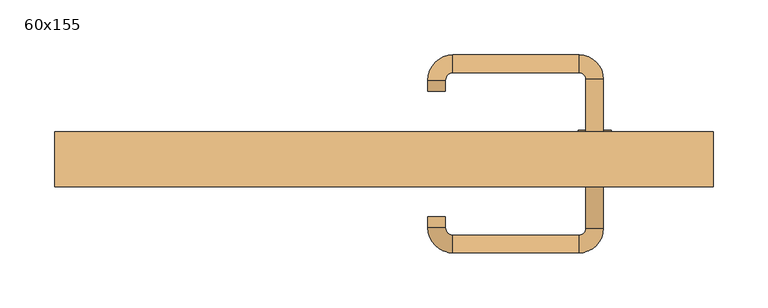
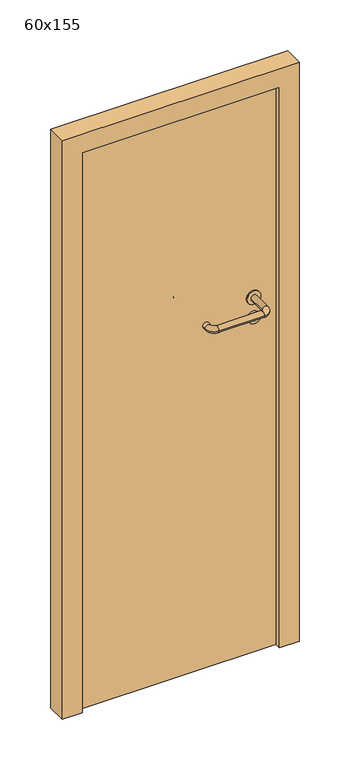
"""IFC4 building model written with IfcOpenShell, lengths in millimetres: door geometry, 60x155."""

from ifc_helpers import new_model, si_unit, point, frame, frame_2d, origin, origin_with_axes, place, context, project, spatial, polyline, circle_curve, ellipse_curve, trimmed, segment, composite_curve, outline, extrude, source, transform, mapped, element, save
from ifc_brep_helpers import plane_surface, cylinder_surface, revolved_surface, advanced_brep


def door_60x155_839e3d15(model_context):
    return source(origin(), model_context, "Body", "SolidModel", [
        extrude(outline(composite_curve([segment(trimmed(circle_curve(frame_2d((897.3605726, 192.0)), 15.0), [point((897.3605726, 207.0))], [point((897.3605726, 177.0))], False, "CARTESIAN"), True, "CONTINUOUS"), segment(trimmed(circle_curve(frame_2d((897.3605726, 192.0)), 15.0), [point((897.3605726, 177.0))], [point((897.3605726, 207.0))], False, "CARTESIAN"), True, "CONTINUOUS")], self_intersect=False), holes=[composite_curve([segment(trimmed(circle_curve(frame_2d((892.5833211, 191.9398032)), 2.0), [point((892.5833211, 193.9398032))], [point((892.5833211, 189.9398032))], True, "CARTESIAN"), True, "CONTINUOUS"), segment(polyline([(892.5833211, 189.9398032), (902.5833211, 189.9398032)]), True, "CONTINUOUS"), segment(trimmed(circle_curve(frame_2d((902.5833211, 191.9398032)), 2.0), [point((902.5833211, 189.9398032))], [point((902.5833211, 193.9398032))], True, "CARTESIAN"), True, "CONTINUOUS"), segment(polyline([(902.5833211, 193.9398032), (892.5833211, 193.9398032)]), True, "CONTINUOUS")], self_intersect=False)]), frame((0.0, 28.65, 0.0), z_axis=(0.0, 1.0, 0.0), x_axis=(0.0, 0.0, 1.0)), (0.0, 0.0, 1.0), 6.35),
        extrude(outline(composite_curve([segment(trimmed(circle_curve(frame_2d((950.0, 192.0)), 17.526), [point((950.0, 209.526))], [point((950.0, 174.474))], False, "CARTESIAN"), True, "CONTINUOUS"), segment(trimmed(circle_curve(frame_2d((950.0, 192.0)), 17.526), [point((950.0, 174.474))], [point((950.0, 209.526))], False, "CARTESIAN"), True, "CONTINUOUS")], self_intersect=False)), frame((0.0, 31.825, 0.0), z_axis=(0.0, 1.0, 0.0), x_axis=(0.0, 0.0, 1.0)), (0.0, 0.0, 1.0), 3.175),
        advanced_brep(
        [(200.0, 35.0, 950.0), (184.0, 35.0, 950.0), (184.0, -18.0, 950.0), (200.0, -18.0, 950.0), (177.8578644, -24.1421356, 950.0), (177.8578644, -40.1421356, 950.0), (62.8578644, -24.1421356, 950.0), (62.8578644, -40.1421356, 950.0), (56.008622, -17.2928932, 950.0), (40.008622, -17.2928932, 950.0), (40.008622, -7.2928932, 950.0), (56.008622, -7.2928932, 950.0)],
        [
            (0, 1, circle_curve(frame((192.0, 35.0, 950.0), z_axis=(0.0, 1.0, 0.0), x_axis=(-1.0, 0.0, 0.0)), 8.0)),
            (1, 0, circle_curve(frame((192.0, 35.0, 950.0), z_axis=(0.0, 1.0, 0.0), x_axis=(-1.0, 0.0, 0.0)), 8.0)),
            (1, 2),
            (2, 3, circle_curve(frame((192.0, -18.0, 950.0), z_axis=(0.0, 1.0, 0.0), x_axis=(-1.0, 0.0, 0.0)), 8.0)),
            (3, 0),
            (3, 2, circle_curve(frame((192.0, -18.0, 950.0), z_axis=(0.0, 1.0, 0.0), x_axis=(-1.0, 0.0, 0.0)), 8.0)),
            (4, 5, circle_curve(frame((177.8578644, -32.1421356, 950.0), z_axis=(1.0, 0.0, 0.0), x_axis=(0.0, 1.0, 0.0)), 8.0)),
            (5, 3, circle_curve(frame((177.8578644, -18.0, 950.0), z_axis=(0.0, 0.0, 1.0), x_axis=(1.0, 0.0, 0.0)), 22.1421356)),
            (2, 4, circle_curve(frame((177.8578644, -18.0, 950.0), z_axis=(0.0, 0.0, -1.0), x_axis=(1.0, 0.0, 0.0)), 6.1421356)),
            (5, 4, circle_curve(frame((177.8578644, -32.1421356, 950.0), z_axis=(1.0, 0.0, 0.0), x_axis=(0.0, 1.0, 0.0)), 8.0)),
            (4, 6),
            (6, 7, circle_curve(frame((62.8578644, -32.1421356, 950.0), z_axis=(1.0, 0.0, 0.0), x_axis=(0.0, 1.0, 0.0)), 8.0)),
            (7, 5),
            (7, 6, circle_curve(frame((62.8578644, -32.1421356, 950.0), z_axis=(1.0, 0.0, 0.0), x_axis=(0.0, 1.0, 0.0)), 8.0)),
            (8, 9, circle_curve(frame((48.008622, -17.2928932, 950.0), z_axis=(0.0, -1.0, 0.0), x_axis=(1.0, 0.0, 0.0)), 8.0)),
            (9, 7, circle_curve(frame((62.8578644, -17.2928932, 950.0), z_axis=(0.0, 0.0, 1.0), x_axis=(0.0, -1.0, 0.0)), 22.8492424)),
            (6, 8, circle_curve(frame((62.8578644, -17.2928932, 950.0), z_axis=(0.0, 0.0, -1.0), x_axis=(0.0, -1.0, 0.0)), 6.8492424)),
            (9, 8, circle_curve(frame((48.008622, -17.2928932, 950.0), z_axis=(0.0, -1.0, 0.0), x_axis=(1.0, 0.0, 0.0)), 8.0)),
            (10, 11, circle_curve(frame((48.008622, -7.2928932, 950.0), z_axis=(0.0, 1.0, 0.0), x_axis=(1.0, 0.0, 0.0)), 8.0)),
            (11, 10, circle_curve(frame((48.008622, -7.2928932, 950.0), z_axis=(0.0, 1.0, 0.0), x_axis=(1.0, 0.0, 0.0)), 8.0)),
            (8, 11),
            (10, 9),
        ],
        [
            plane_surface(frame((192.0, 35.0, 170.0), z_axis=(0.0, 1.0, 0.0), x_axis=(0.0, 0.0, 1.0))),
            cylinder_surface(frame((192.0, 35.0, 950.0), z_axis=(0.0, 1.0, 0.0), x_axis=(-1.0, 0.0, 0.0)), 8.0),
            revolved_surface(trimmed(ellipse_curve(frame((192.0, -18.0, 950.0), z_axis=(0.0, -1.0, 0.0), x_axis=(-1.0, 0.0, 0.0)), 8.0, 8.0), [point((200.0, -18.0, 950.0))], [point((184.0, -18.0, 950.0))], True, "CARTESIAN"), (177.8578644, -18.0, 170.0), (0.0, 0.0, 1.0)),
            revolved_surface(trimmed(ellipse_curve(frame((192.0, -18.0, 950.0), z_axis=(0.0, -1.0, 0.0), x_axis=(-1.0, 0.0, 0.0)), 8.0, 8.0), [point((184.0, -18.0, 950.0))], [point((200.0, -18.0, 950.0))], True, "CARTESIAN"), (177.8578644, -18.0, 170.0), (0.0, 0.0, 1.0)),
            cylinder_surface(frame((177.8578644, -32.1421356, 950.0), z_axis=(1.0, 0.0, 0.0), x_axis=(0.0, 1.0, 0.0)), 8.0),
            revolved_surface(trimmed(ellipse_curve(frame((62.8578644, -32.1421356, 950.0), z_axis=(-1.0, 0.0, 0.0), x_axis=(0.0, 1.0, 0.0)), 8.0, 8.0), [point((62.8578644, -40.1421356, 950.0))], [point((62.8578644, -24.1421356, 950.0))], True, "CARTESIAN"), (62.8578644, -17.2928932, 170.0), (0.0, 0.0, 1.0)),
            revolved_surface(trimmed(ellipse_curve(frame((62.8578644, -32.1421356, 950.0), z_axis=(-1.0, 0.0, 0.0), x_axis=(0.0, 1.0, 0.0)), 8.0, 8.0), [point((62.8578644, -24.1421356, 950.0))], [point((62.8578644, -40.1421356, 950.0))], True, "CARTESIAN"), (62.8578644, -17.2928932, 170.0), (0.0, 0.0, 1.0)),
            plane_surface(frame((48.008622, -7.2928932, 170.0), z_axis=(0.0, 1.0, 0.0), x_axis=(0.0, 0.0, 1.0))),
            cylinder_surface(frame((48.008622, -17.2928932, 950.0), z_axis=(0.0, -1.0, 0.0), x_axis=(1.0, 0.0, 0.0)), 8.0),
        ],
        [
            (0, [[1, 2]]),
            (1, [[3, 4, 5, -2]]),
            (1, [[-5, 6, -3, -1]]),
            (2, [[7, 8, -4, 9]]),
            (3, [[10, -9, -6, -8]]),
            (4, [[11, 12, 13, -7]]),
            (4, [[-13, 14, -11, -10]]),
            (5, [[15, 16, -12, 17]]),
            (6, [[18, -17, -14, -16]]),
            (7, [[19, 20]]),
            (8, [[21, -19, 22, -15]]),
            (8, [[-22, -20, -21, -18]]),
        ],
    ),
        extrude(outline(composite_curve([segment(trimmed(circle_curve(frame_2d((0.0, -15.0)), 15.0), [point((0.0, -30.0))], [point((0.0, 0.0))], False, "CARTESIAN"), True, "CONTINUOUS"), segment(trimmed(circle_curve(frame_2d((0.0, -15.0)), 15.0), [point((0.0, 0.0))], [point((0.0, -30.0))], False, "CARTESIAN"), True, "CONTINUOUS")], self_intersect=False), holes=[composite_curve([segment(trimmed(circle_curve(frame_2d((4.7772515, -14.9398032)), 2.0), [point((4.7772515, -16.9398032))], [point((4.7772515, -12.9398032))], True, "CARTESIAN"), True, "CONTINUOUS"), segment(polyline([(4.7772515, -12.9398032), (-5.2227485, -12.9398032)]), True, "CONTINUOUS"), segment(trimmed(circle_curve(frame_2d((-5.2227485, -14.9398032)), 2.0), [point((-5.2227485, -12.9398032))], [point((-5.2227485, -16.9398032))], True, "CARTESIAN"), True, "CONTINUOUS"), segment(polyline([(-5.2227485, -16.9398032), (4.7772515, -16.9398032)]), True, "CONTINUOUS")], self_intersect=False)]), frame((177.0, 65.0, 897.3605726), z_axis=(1.8870575173328306e-12, 1.0, 0.0), x_axis=(0.0, 0.0, -1.0)), (0.0, 0.0, 1.0), 6.35),
        extrude(outline(composite_curve([segment(trimmed(circle_curve(frame_2d((0.0, -17.526)), 17.526), [point((0.0, -35.052))], [point((0.0, 0.0))], False, "CARTESIAN"), True, "CONTINUOUS"), segment(trimmed(circle_curve(frame_2d((0.0, -17.526)), 17.526), [point((0.0, 0.0))], [point((0.0, -35.052))], False, "CARTESIAN"), True, "CONTINUOUS")], self_intersect=False)), frame((174.474, 65.0, 950.0), z_axis=(1.8870575173328306e-12, 1.0, 0.0), x_axis=(0.0, 0.0, -1.0)), (0.0, 0.0, 1.0), 3.175),
        advanced_brep(
        [(200.0, 65.0, 950.0), (184.0, 65.0, 950.0), (200.0, 118.0, 950.0), (184.0, 118.0, 950.0), (177.8578644, 124.1421356, 950.0), (177.8578644, 140.1421356, 950.0), (62.8578644, 140.1421356, 950.0), (62.8578644, 124.1421356, 950.0), (56.008622, 117.2928932, 950.0), (40.008622, 117.2928932, 950.0), (40.008622, 107.2928932, 950.0), (56.008622, 107.2928932, 950.0)],
        [
            (0, 1, circle_curve(frame((192.0, 65.0, 950.0), z_axis=(-1.888672253512351e-12, -1.0, 0.0), x_axis=(-1.0, 1.888672253512351e-12, 0.0)), 8.0)),
            (1, 0, circle_curve(frame((192.0, 65.0, 950.0), z_axis=(-1.888672253512351e-12, -1.0, 0.0), x_axis=(-1.0, 1.888672253512351e-12, 0.0)), 8.0)),
            (0, 2),
            (2, 3, circle_curve(frame((192.0, 118.0, 950.0), z_axis=(-1.888672253512351e-12, -1.0, 0.0), x_axis=(-1.0, 1.888672253512351e-12, 0.0)), 8.0)),
            (3, 1),
            (3, 2, circle_curve(frame((192.0, 118.0, 950.0), z_axis=(-1.888672253512351e-12, -1.0, 0.0), x_axis=(-1.0, 1.888672253512351e-12, 0.0)), 8.0)),
            (4, 3, circle_curve(frame((177.8578644, 118.0, 950.0), z_axis=(0.0, 0.0, -1.0), x_axis=(1.0, -1.880717803715015e-12, 0.0)), 6.1421356)),
            (2, 5, circle_curve(frame((177.8578644, 118.0, 950.0), z_axis=(0.0, 0.0, 1.0), x_axis=(1.0, -1.880717803715015e-12, 0.0)), 22.1421356)),
            (5, 4, circle_curve(frame((177.8578644, 132.1421356, 950.0), z_axis=(1.0, -1.913702061528922e-12, 0.0), x_axis=(-1.913702061528922e-12, -1.0, 0.0)), 8.0)),
            (4, 5, circle_curve(frame((177.8578644, 132.1421356, 950.0), z_axis=(1.0, -1.913702061528922e-12, 0.0), x_axis=(-1.913702061528922e-12, -1.0, 0.0)), 8.0)),
            (5, 6),
            (6, 7, circle_curve(frame((62.8578644, 132.1421356, 950.0), z_axis=(1.0, -1.913719828541269e-12, 0.0), x_axis=(-1.913719828541269e-12, -1.0, 0.0)), 8.0)),
            (7, 4),
            (7, 6, circle_curve(frame((62.8578644, 132.1421356, 950.0), z_axis=(1.0, -1.913719828541269e-12, 0.0), x_axis=(-1.913719828541269e-12, -1.0, 0.0)), 8.0)),
            (8, 7, circle_curve(frame((62.8578644, 117.2928932, 950.0), z_axis=(0.0, 0.0, -1.0), x_axis=(1.9120873253494017e-12, 1.0, 0.0)), 6.8492424)),
            (6, 9, circle_curve(frame((62.8578644, 117.2928932, 950.0), z_axis=(0.0, 0.0, 1.0), x_axis=(1.9120873253494017e-12, 1.0, 0.0)), 22.8492424)),
            (9, 8, circle_curve(frame((48.008622, 117.2928932, 950.0), z_axis=(1.890670654956676e-12, 1.0, 0.0), x_axis=(1.0, -1.890670654956676e-12, 0.0)), 8.0)),
            (8, 9, circle_curve(frame((48.008622, 117.2928932, 950.0), z_axis=(1.890226565746826e-12, 1.0, 0.0), x_axis=(1.0, -1.890226565746826e-12, 0.0)), 8.0)),
            (10, 11, circle_curve(frame((48.008622, 107.2928932, 950.0), z_axis=(-1.8903642334018795e-12, -1.0, 0.0), x_axis=(1.0, -1.8903642334018795e-12, 0.0)), 8.0)),
            (11, 10, circle_curve(frame((48.008622, 107.2928932, 950.0), z_axis=(-1.8903642334018795e-12, -1.0, 0.0), x_axis=(1.0, -1.8903642334018795e-12, 0.0)), 8.0)),
            (9, 10),
            (11, 8),
        ],
        [
            plane_surface(frame((192.0, 65.0, 170.0), z_axis=(-1.8870575173328306e-12, -1.0, 0.0), x_axis=(0.0, 0.0, 1.0))),
            cylinder_surface(frame((192.0, 65.0, 950.0), z_axis=(-1.888672253512351e-12, -1.0, 0.0), x_axis=(-1.0, 1.888672253512351e-12, 0.0)), 8.0),
            revolved_surface(trimmed(ellipse_curve(frame((192.0, 118.0, 950.0), z_axis=(-1.8823325398945356e-12, -1.0, 0.0), x_axis=(-1.0, 1.8823325398945356e-12, 0.0)), 8.0, 8.0), [point((200.0, 118.0, 950.0))], [point((184.0, 118.0, 950.0))], True, "CARTESIAN"), (177.8578644, 118.0, 170.0), (0.0, 0.0, 1.0)),
            revolved_surface(trimmed(ellipse_curve(frame((192.0, 118.0, 950.0), z_axis=(-1.8823325398945356e-12, -1.0, 0.0), x_axis=(-1.0, 1.8823325398945356e-12, 0.0)), 8.0, 8.0), [point((184.0, 118.0, 950.0))], [point((200.0, 118.0, 950.0))], True, "CARTESIAN"), (177.8578644, 118.0, 170.0), (0.0, 0.0, 1.0)),
            cylinder_surface(frame((177.8578644, 132.1421356, 950.0), z_axis=(1.0, -1.913719828541269e-12, 0.0), x_axis=(-1.913719828541269e-12, -1.0, 0.0)), 8.0),
            revolved_surface(trimmed(ellipse_curve(frame((62.8578644, 132.1421356, 950.0), z_axis=(1.0, -1.913702061528922e-12, 0.0), x_axis=(-1.913702061528922e-12, -1.0, 0.0)), 8.0, 8.0), [point((62.8578644, 140.1421356, 950.0))], [point((62.8578644, 124.1421356, 950.0))], True, "CARTESIAN"), (62.8578644, 117.2928932, 170.0), (0.0, 0.0, 1.0)),
            revolved_surface(trimmed(ellipse_curve(frame((62.8578644, 132.1421356, 950.0), z_axis=(1.0, -1.913702061528922e-12, 0.0), x_axis=(-1.913702061528922e-12, -1.0, 0.0)), 8.0, 8.0), [point((62.8578644, 124.1421356, 950.0))], [point((62.8578644, 140.1421356, 950.0))], True, "CARTESIAN"), (62.8578644, 117.2928932, 170.0), (0.0, 0.0, 1.0)),
            plane_surface(frame((48.008622, 107.2928932, 170.0), z_axis=(-1.8887494972223595e-12, -1.0, 0.0), x_axis=(0.0, 0.0, 1.0))),
            cylinder_surface(frame((48.008622, 117.2928932, 950.0), z_axis=(1.8903642334018795e-12, 1.0, 0.0), x_axis=(1.0, -1.8903642334018795e-12, 0.0)), 8.0),
        ],
        [
            (0, [[1, 2]]),
            (1, [[-1, 3, 4, 5]]),
            (1, [[-2, -5, 6, -3]]),
            (2, [[7, -4, 8, 9]]),
            (3, [[-8, -6, -7, 10]]),
            (4, [[-9, 11, 12, 13]]),
            (4, [[-10, -13, 14, -11]]),
            (5, [[15, -12, 16, 17]]),
            (6, [[-16, -14, -15, 18]]),
            (7, [[19, 20]]),
            (8, [[-17, 21, -20, 22]]),
            (8, [[-18, -22, -19, -21]]),
        ],
    ),
        extrude(outline(polyline([(1500.0, 250.0), (0.0, 250.0), (0.0, 300.0), (1550.0, 300.0), (1550.0, -300.0), (0.0, -300.0), (0.0, -250.0), (1500.0, -250.0), (1500.0, 250.0)])), frame((0.0, 20.0, 0.0), z_axis=(0.0, 1.0, 0.0), x_axis=(0.0, 0.0, 1.0)), (0.0, 0.0, 1.0), 50.0),
        extrude(outline(polyline([(-250.0, 65.0), (250.0, 65.0), (250.0, 35.0), (-250.0, 35.0), (-250.0, 65.0)])), origin_with_axes(), (0.0, 0.0, 1.0), 1500.0),
    ])


if __name__ == "__main__":
    model = new_model("IFC4")
    model_context = context("Model", 3, world=origin())
    ifc_project = project(units=[si_unit("LENGTHUNIT", "METRE", prefix="MILLI")], contexts=[model_context])
    site = spatial("IfcSite", under=ifc_project)
    building = spatial("IfcBuilding", under=site)
    placement = place(None, origin())
    door_60x155_shape = door_60x155_839e3d15(model_context)
    element("IfcDoor", 1, ObjectType="60x155", at=placement, inside=building, context=model_context, shape_type="MappedRepresentation", body=[
        mapped(door_60x155_shape, transform((0.0, 0.0, 0.0), x_axis=(1.0, 0.0, 0.0), y_axis=(0.0, 1.0, 0.0), z_axis=(0.0, 0.0, 1.0))),
    ])
    save(model, "model.ifc")
